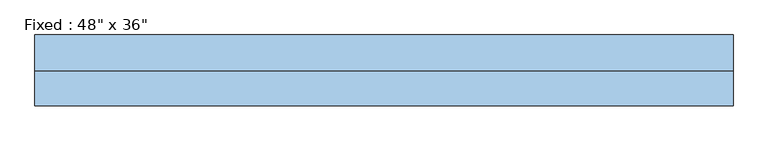
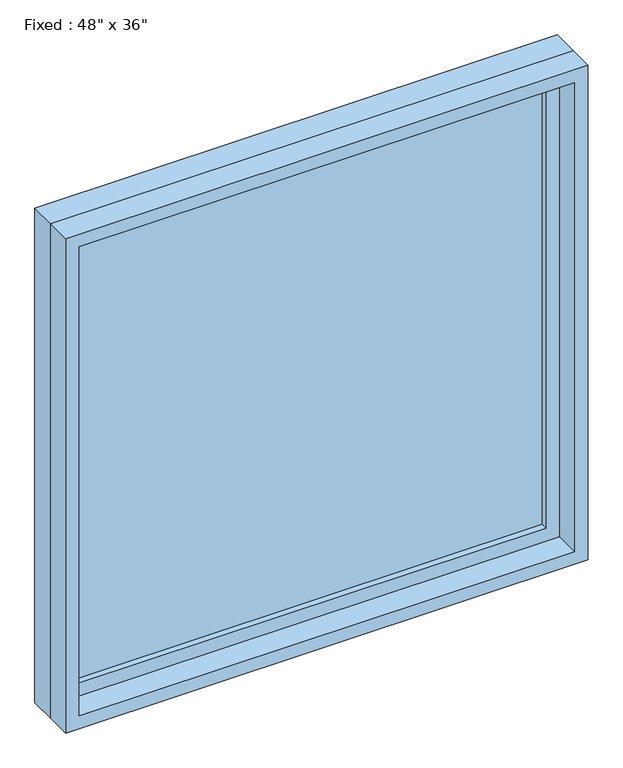
"""IFC4 building model written with IfcOpenShell, lengths in millimetres: window geometry."""

from ifc_helpers import new_model, si_unit, frame, origin, place, context, project, spatial, polyline, outline, extrude, source, transform, mapped, element, save


def window_0af993c7(model_context):
    return source(origin(), model_context, "Body", "SweptSolid", [
        extrude(outline(polyline([(508.0, 14.2875), (-584.2, 14.2875), (-584.2, 26.9875), (508.0, 26.9875), (508.0, 14.2875)])), frame((0.0, 0.0, 977.9), z_axis=(0.0, 0.0, 1.0), x_axis=(1.0, 0.0, 0.0)), (0.0, 0.0, 1.0), 1092.2),
        extrude(outline(polyline([(2114.55, -628.65), (933.45, -628.65), (933.45, 552.45), (2114.55, 552.45), (2114.55, -628.65)]), holes=[polyline([(2070.1, -584.2), (2070.1, 508.0), (977.9, 508.0), (977.9, -584.2), (2070.1, -584.2)])]), frame((0.0, -1.5875, 0.0), z_axis=(0.0, 1.0, 0.0), x_axis=(0.0, 0.0, 1.0)), (0.0, 0.0, 1.0), 44.45),
        extrude(outline(polyline([(2133.6, -647.7), (914.4, -647.7), (914.4, 571.5), (2133.6, 571.5), (2133.6, -647.7)]), holes=[polyline([(2101.85, -615.95), (2101.85, 539.75), (946.15, 539.75), (946.15, -615.95), (2101.85, -615.95)])]), frame((0.0, -61.9125, 0.0), z_axis=(0.0, 1.0, 0.0), x_axis=(0.0, 0.0, 1.0)), (0.0, 0.0, 1.0), 60.325),
        extrude(outline(polyline([(2133.6, 571.5), (2133.6, -647.7), (914.4, -647.7), (914.4, 571.5), (2133.6, 571.5)]), holes=[polyline([(2114.55, 552.45), (933.45, 552.45), (933.45, -628.65), (2114.55, -628.65), (2114.55, 552.45)])]), frame((0.0, -1.5875, 0.0), z_axis=(0.0, 1.0, 0.0), x_axis=(0.0, 0.0, 1.0)), (0.0, 0.0, 1.0), 63.5),
    ])


if __name__ == "__main__":
    model = new_model("IFC4")
    model_context = context("Model", 3, world=origin())
    ifc_project = project(units=[si_unit("LENGTHUNIT", "METRE", prefix="MILLI")], contexts=[model_context])
    site = spatial("IfcSite", under=ifc_project)
    building = spatial("IfcBuilding", under=site)
    placement = place(None, origin())
    window_shape = window_0af993c7(model_context)
    element("IfcWindow", 1, ObjectType="Fixed : 48\" x 36\"", at=placement, inside=building, context=model_context, shape_type="MappedRepresentation", body=[
        mapped(window_shape, transform((0.0, 0.0, 0.0), x_axis=(1.0, 0.0, 0.0), y_axis=(0.0, 1.0, 0.0), z_axis=(0.0, 0.0, 1.0))),
    ])
    save(model, "model.ifc")
